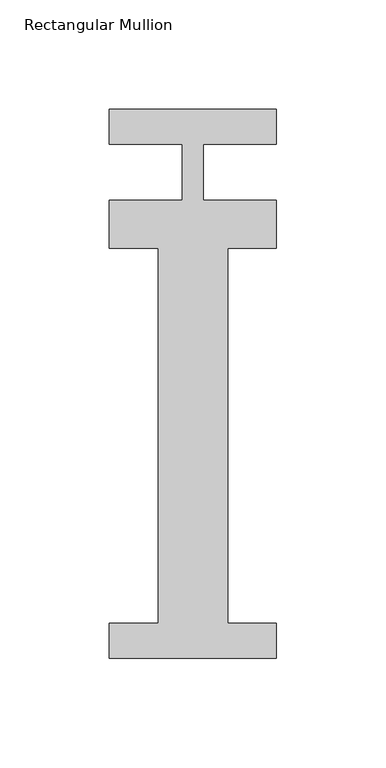
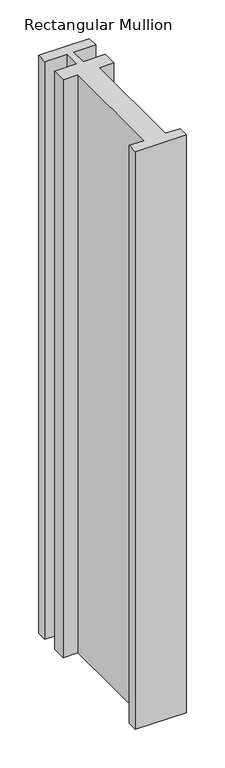
"""IFC4 building model written with IfcOpenShell, lengths in millimetres: member geometry, Rectangular Mullion."""

from ifc_helpers import new_model, si_unit, frame, origin, place, context, project, spatial, polyline, outline, extrude, source, transform, mapped, element, save


def rectangular_mullion_e0473f44(model_context):
    return source(origin(), model_context, "Body", "SweptSolid", [
        extrude(outline(polyline([(38.1, -221.996), (-38.1, -221.996), (-38.1, -206.121), (-15.875, -206.121), (-15.875, -34.671), (-38.1, -34.671), (-38.1, -12.7), (-4.7625, -12.7), (-4.7625, 12.7), (-38.1, 12.7), (-38.1, 28.7131807), (38.1, 28.7131807), (38.1, 12.7), (4.7625, 12.7), (4.7625, -12.7), (38.1, -12.7), (38.1, -34.671), (15.875, -34.671), (15.875, -206.121), (38.1, -206.121), (38.1, -221.996)])), frame((0.0, 0.0, -914.4), z_axis=(0.0, 0.0, 1.0), x_axis=(1.0, 0.0, 0.0)), (0.0, 0.0, 1.0), 914.4),
    ])


if __name__ == "__main__":
    model = new_model("IFC4")
    model_context = context("Model", 3, world=origin())
    ifc_project = project(units=[si_unit("LENGTHUNIT", "METRE", prefix="MILLI")], contexts=[model_context])
    site = spatial("IfcSite", under=ifc_project)
    building = spatial("IfcBuilding", under=site)
    placement = place(None, origin())
    rectangular_mullion_shape = rectangular_mullion_e0473f44(model_context)
    element("IfcMember", 1, ObjectType="Rectangular Mullion", at=placement, inside=building, context=model_context, shape_type="MappedRepresentation", body=[
        mapped(rectangular_mullion_shape, transform((0.0, 0.0, 0.0), x_axis=(1.0, 0.0, 0.0), y_axis=(0.0, 1.0, 0.0), z_axis=(0.0, 0.0, 1.0))),
    ])
    save(model, "model.ifc")
